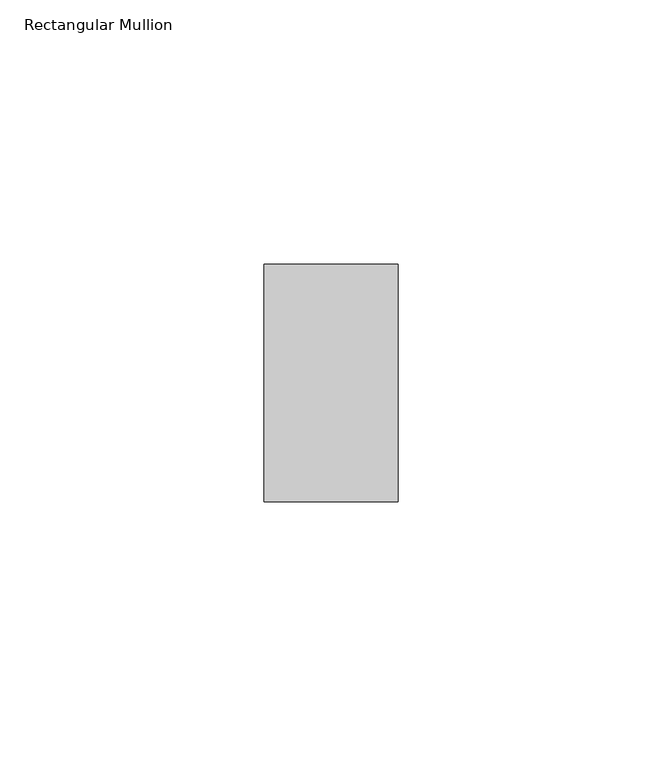
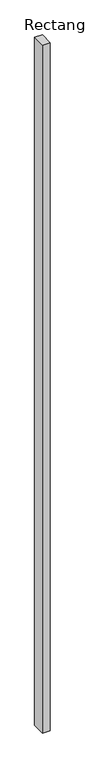
"""IFC4 building model written with IfcOpenShell, lengths in millimetres: member geometry, Rectangular Mullion."""

import ifcopenshell
import ifcopenshell.guid

model = None  # the IFC model being written
_history = None  # IfcOwnerHistory: only IFC2X3 demands one
_inside = {}  # id of a spatial element -> (the spatial element, [elements in it])
_under = {}  # id of a project, library or spatial element -> (it, [spatial elements below it])
_declared = {}  # id of a project -> (the project, [libraries it declares])
_typed = {}  # id of a type object -> (the type object, [elements of that type])
_made_of = {}  # id of a material, layer set ... -> (it, [elements and type objects made of it])


def new_model(schema):
    """Start an empty IFC model of exactly this schema.

    Asked for "IFC4X3", IfcOpenShell would pick the latest addendum, in which some entities
    have other attributes; the version numbers below select the first issue.
    IFC2X3 requires an IfcOwnerHistory on every rooted entity: one is made here for all.
    """
    global model, _history
    if schema == "IFC4X3":
        model = ifcopenshell.file(schema_version=(4, 3, 0, 0))
    else:
        model = ifcopenshell.file(schema=schema)
    _inside.clear()
    _under.clear()
    _declared.clear()
    _typed.clear()
    _made_of.clear()
    _history = None
    if model.schema == "IFC2X3":
        org = make("IfcOrganization", Name="unknown")
        user = make(
            "IfcPersonAndOrganization",
            ThePerson=make("IfcPerson", FamilyName="unknown"),
            TheOrganization=org,
        )
        app = make(
            "IfcApplication",
            ApplicationDeveloper=org,
            Version="unknown",
            ApplicationFullName="unknown",
            ApplicationIdentifier="unknown",
        )
        _history = make(
            "IfcOwnerHistory",
            OwningUser=user,
            OwningApplication=app,
            ChangeAction="ADDED",
            CreationDate=0,
        )
    return model


def make(cls, **values):
    """One entity of the class cls with the attributes given. An attribute that is None is left unset."""
    return model.create_entity(
        cls, **{name: value for name, value in values.items() if value is not None}
    )


def rooted(cls, **values):
    """An entity with a GlobalId (a new one), such as an element, a storey or a relation."""
    return make(cls, GlobalId=ifcopenshell.guid.new(), OwnerHistory=_history, **values)


def si_unit(unit_type, name, prefix=None):
    """IfcSIUnit, for example si_unit("LENGTHUNIT", "METRE", prefix="MILLI")."""
    return make("IfcSIUnit", UnitType=unit_type, Prefix=prefix, Name=name)


def assignment(units):
    """IfcUnitAssignment: the units of a project."""
    return None if units is None else make("IfcUnitAssignment", Units=units)


def point(xyz):
    """IfcCartesianPoint."""
    return None if xyz is None else make("IfcCartesianPoint", Coordinates=xyz)


def direction(xyz):
    """IfcDirection."""
    return None if xyz is None else make("IfcDirection", DirectionRatios=xyz)


def frame(location, z_axis=None, x_axis=None):
    """IfcAxis2Placement3D, a coordinate frame: its origin and axes. An axis left out is left unset."""
    return make(
        "IfcAxis2Placement3D",
        Location=point(location),
        Axis=direction(z_axis),
        RefDirection=direction(x_axis),
    )


def origin():
    """The frame at (0, 0, 0) with its axes left unset."""
    return frame((0.0, 0.0, 0.0))


def place(relative_to, where):
    """IfcLocalPlacement: puts the frame where relative to a parent placement (None: the world)."""
    return make(
        "IfcLocalPlacement", PlacementRelTo=relative_to, RelativePlacement=where
    )


def context(
    kind, dimensions, precision=None, world=None, true_north=None, identifier=None
):
    """IfcGeometricRepresentationContext, for example the 3D "Model" context."""
    return make(
        "IfcGeometricRepresentationContext",
        ContextIdentifier=identifier,
        ContextType=kind,
        CoordinateSpaceDimension=dimensions,
        Precision=precision,
        WorldCoordinateSystem=world,
        TrueNorth=true_north,
    )


def project(units=None, contexts=None):
    """IfcProject with its units and contexts."""
    return rooted(
        "IfcProject",
        Name="project",
        RepresentationContexts=contexts,
        UnitsInContext=assignment(units),
    )


def spatial(cls, under=None, at=None, **own):
    """A site, building, storey or space (cls), placed at a placement, below another one or the project."""
    s = rooted(cls, ObjectPlacement=at, **own)
    if under is not None:
        _under.setdefault(under.id(), (under, []))[1].append(s)
    return s


def polyline(points):
    """IfcPolyline through the points."""
    return make("IfcPolyline", Points=[point(p) for p in points])


def outline(outer, holes=None, kind="AREA"):
    """IfcArbitraryClosedProfileDef: a profile drawn as a closed curve; with holes, ...WithVoids."""
    if holes is None:
        return make("IfcArbitraryClosedProfileDef", ProfileType=kind, OuterCurve=outer)
    return make(
        "IfcArbitraryProfileDefWithVoids",
        ProfileType=kind,
        OuterCurve=outer,
        InnerCurves=holes,
    )


def extrude(swept, where, along, depth):
    """IfcExtrudedAreaSolid: the profile swept, set in the frame where, extruded along a direction by depth."""
    return make(
        "IfcExtrudedAreaSolid",
        SweptArea=swept,
        Position=where,
        ExtrudedDirection=direction(along),
        Depth=depth,
    )


def shape(context_of_items, identifier, shape_type, items):
    """IfcShapeRepresentation: the items that make up one representation, for example the "Body"."""
    return make(
        "IfcShapeRepresentation",
        ContextOfItems=context_of_items,
        RepresentationIdentifier=identifier,
        RepresentationType=shape_type,
        Items=items,
    )


def source(mapping_origin, context_of_items, identifier, shape_type, items):
    """IfcRepresentationMap: a shape defined once, which mapped items show again and again."""
    return make(
        "IfcRepresentationMap",
        MappingOrigin=mapping_origin,
        MappedRepresentation=shape(context_of_items, identifier, shape_type, items),
    )


def transform(
    local_origin,
    x_axis=None,
    y_axis=None,
    z_axis=None,
    scale=None,
    scale2=None,
    scale3=None,
    uniform=True,
):
    """IfcCartesianTransformationOperator3D, or its non-uniform kind. x_axis, y_axis, z_axis: its Axis1, 2, 3."""
    if uniform:
        return make(
            "IfcCartesianTransformationOperator3D",
            Axis1=direction(x_axis),
            Axis2=direction(y_axis),
            LocalOrigin=point(local_origin),
            Scale=scale,
            Axis3=direction(z_axis),
        )
    return make(
        "IfcCartesianTransformationOperator3DnonUniform",
        Axis1=direction(x_axis),
        Axis2=direction(y_axis),
        LocalOrigin=point(local_origin),
        Scale=scale,
        Axis3=direction(z_axis),
        Scale2=scale2,
        Scale3=scale3,
    )


def mapped(mapping_source, mapping_target):
    """IfcMappedItem: shows the shape of a source again, moved by a transform."""
    return make(
        "IfcMappedItem", MappingSource=mapping_source, MappingTarget=mapping_target
    )


def made_of(thing, what):
    """Note that an element or type object is made of a material, layer set ...; save() writes the relation."""
    if what is not None:
        _made_of.setdefault(what.id(), (what, []))[1].append(thing)
    return thing


def element(
    cls,
    number,
    at=None,
    inside=None,
    cuts=None,
    type_object=None,
    material=None,
    context=None,
    identifier="Body",
    shape_type=None,
    held_by="IfcProductDefinitionShape",
    body=None,
    shapes=None,
    **own,
):
    """One element of the class cls, such as IfcWall. Its Tag is "e" and its number.

    at: its placement. inside: the storey or other place that contains it. cuts: it is an
    opening in that element (IfcRelVoidsElement). A single representation is given by context,
    identifier, shape_type and body (its items); several are given by shapes. held_by: the class
    of the entity that holds the representations. save() writes the other relations.
    """
    e = rooted(cls, Tag="e%d" % number, ObjectPlacement=at, **own)
    if body is not None:
        shapes = [shape(context, identifier, shape_type, body)]
    if shapes is not None:
        e.Representation = make(held_by, Representations=shapes)
    if inside is not None:
        _inside.setdefault(inside.id(), (inside, []))[1].append(e)
    if cuts is not None:
        rooted(
            "IfcRelVoidsElement", RelatingBuildingElement=cuts, RelatedOpeningElement=e
        )
    if type_object is not None:
        _typed.setdefault(type_object.id(), (type_object, []))[1].append(e)
    return made_of(e, material)


def aggregate(whole, parts):
    """IfcRelAggregates: a whole, such as a stair, and the parts it consists of."""
    return rooted("IfcRelAggregates", RelatingObject=whole, RelatedObjects=parts)


def save(model, path):
    """Write the relations noted so far, then the file.

    IfcRelAggregates (storeys below a building ...), IfcRelContainedInSpatialStructure (elements
    in a storey), IfcRelDefinesByType, IfcRelAssociatesMaterial and IfcRelDeclares: one each for
    every whole, place, type object, material and project.
    """
    for whole, parts in _under.values():
        aggregate(whole, parts)
    for where, things in _inside.values():
        rooted(
            "IfcRelContainedInSpatialStructure",
            RelatedElements=things,
            RelatingStructure=where,
        )
    for kind, things in _typed.values():
        rooted("IfcRelDefinesByType", RelatedObjects=things, RelatingType=kind)
    for what, things in _made_of.values():
        rooted("IfcRelAssociatesMaterial", RelatedObjects=things, RelatingMaterial=what)
    for by, libraries in _declared.values():
        rooted("IfcRelDeclares", RelatingContext=by, RelatedDefinitions=libraries)
    model.write(path)


def rectangular_mullion_f9e8c07d(model_context):
    return source(origin(), model_context, "Body", "SweptSolid", [
        extrude(outline(polyline([(-25.41875, 22.5110276), (0.0, 22.5110276), (0.0, -22.4889724), (-25.41875, -22.4889724), (-25.41875, 22.5110276)])), frame((0.0, 0.0, -2400.0), z_axis=(0.0, 0.0, 1.0), x_axis=(1.0, 0.0, 0.0)), (0.0, 0.0, 1.0), 2400.0),
    ])


if __name__ == "__main__":
    model = new_model("IFC4")
    model_context = context("Model", 3, world=origin())
    ifc_project = project(units=[si_unit("LENGTHUNIT", "METRE", prefix="MILLI")], contexts=[model_context])
    site = spatial("IfcSite", under=ifc_project)
    building = spatial("IfcBuilding", under=site)
    placement = place(None, origin())
    rectangular_mullion_shape = rectangular_mullion_f9e8c07d(model_context)
    element("IfcMember", 1, ObjectType="Rectangular Mullion", at=placement, inside=building, context=model_context, shape_type="MappedRepresentation", body=[
        mapped(rectangular_mullion_shape, transform((0.0, 0.0, 0.0), x_axis=(1.0, 0.0, 0.0), y_axis=(0.0, 1.0, 0.0), z_axis=(0.0, 0.0, 1.0))),
    ])
    save(model, "model.ifc")
